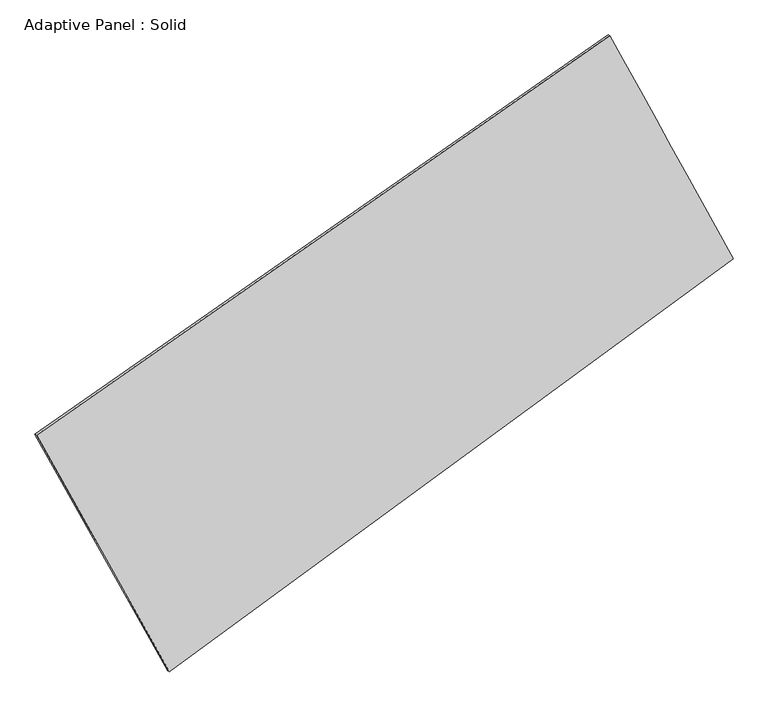
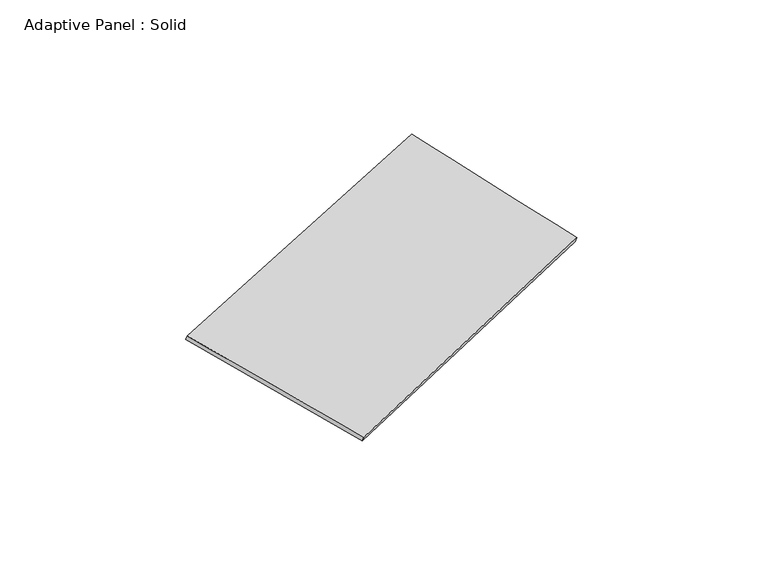
"""IFC4 building model written with IfcOpenShell, lengths in millimetres: plate geometry, Adaptive Panel : Solid."""

from ifc_helpers import new_model, si_unit, frame, origin, place, context, project, spatial, source, transform, mapped, element, save
from ifc_brep_helpers import plane_surface, spline_surface, advanced_brep


def adaptive_panel_solid_d9e14b87(model_context):
    return source(origin(), model_context, "Body", "AdvancedBrep", [
        advanced_brep(
        [(1203.3186751, 2520.4116191, 678.7150554), (-3571.0003273, -807.3537605, 1652.9374367), (-3556.3339715, -813.733854, 1700.3103447), (1217.9850309, 2514.0315257, 726.0879635), (-2465.8889677, -2777.1722625, 1099.7855209), (-2451.2226119, -2783.552356, 1147.1584289), (2230.2800419, 663.8658311, 53.6845071), (2244.9463977, 657.4857376, 101.0574152)],
        [
            (0, 1),
            (1, 2),
            (2, 3),
            (3, 0),
            (1, 4),
            (4, 5),
            (5, 2),
            (4, 6),
            (6, 7),
            (7, 5),
            (6, 0),
            (3, 7),
        ],
        [
            plane_surface(frame((-1183.8408261, 856.5289293, 1165.8262461), z_axis=(-0.5132900836886546, 0.8150719809378857, 0.26868374695333785), x_axis=(-0.809122313689128, -0.5639692743655775, 0.1651052363249464))),
            plane_surface(frame((-3018.4446475, -1792.2630115, 1376.3614788), z_axis=(-0.8331413648626746, -0.5201697999851278, 0.18787986943308313), x_axis=(0.47523724105607246, -0.8470921071700408, -0.23787502324462892))),
            plane_surface(frame((-117.8044629, -1056.6532157, 576.735014), z_axis=(0.5286215879824736, -0.804114386573336, -0.2719545366870644), x_axis=(0.7939213749301024, 0.5817324054730748, -0.1768509509491143))),
            plane_surface(frame((1716.7993585, 1592.1387251, 366.1997813), z_axis=(0.8315855566899699, 0.5229609180220967, -0.18702229847298774), x_axis=(-0.4643094774744022, 0.8393809471569812, 0.28258863154291425))),
            spline_surface(1, 1, [[(-3556.3339715, -813.733854, 1700.3103447), (1217.9850309, 2514.0315257, 726.0879635)], [(-2451.2226119, -2783.552356, 1147.1584289), (2244.9463977, 657.4857376, 101.0574152)]], [2, 2], [2, 2], [0.0, 1.0], [0.0, 1.0]),
            spline_surface(1, 1, [[(2230.2800419, 663.8658311, 53.6845071), (1203.3186751, 2520.4116191, 678.7150554)], [(-2465.8889677, -2777.1722625, 1099.7855209), (-3571.0003273, -807.3537605, 1652.9374367)]], [2, 2], [2, 2], [0.0, 1.0], [0.0, 1.0]),
        ],
        [
            (0, [[1, 2, 3, 4]]),
            (1, [[5, 6, 7, -2]]),
            (2, [[8, 9, 10, -6]]),
            (3, [[11, -4, 12, -9]]),
            (4, [[-3, -7, -10, -12]]),
            (5, [[-11, -8, -5, -1]]),
        ],
    ),
    ])


if __name__ == "__main__":
    model = new_model("IFC4")
    model_context = context("Model", 3, world=origin())
    ifc_project = project(units=[si_unit("LENGTHUNIT", "METRE", prefix="MILLI")], contexts=[model_context])
    site = spatial("IfcSite", under=ifc_project)
    building = spatial("IfcBuilding", under=site)
    placement = place(None, origin())
    adaptive_panel_solid_shape = adaptive_panel_solid_d9e14b87(model_context)
    element("IfcPlate", 1, ObjectType="Adaptive Panel : Solid", at=placement, inside=building, context=model_context, shape_type="MappedRepresentation", body=[
        mapped(adaptive_panel_solid_shape, transform((0.0, 0.0, 0.0), x_axis=(1.0, 0.0, 0.0), y_axis=(0.0, 1.0, 0.0), z_axis=(0.0, 0.0, 1.0))),
    ])
    save(model, "model.ifc")
